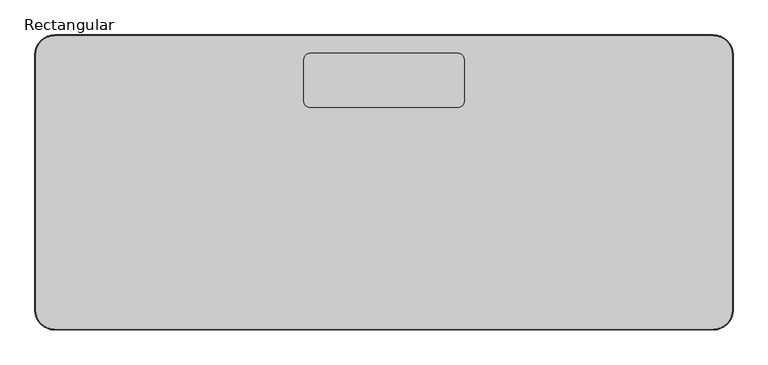
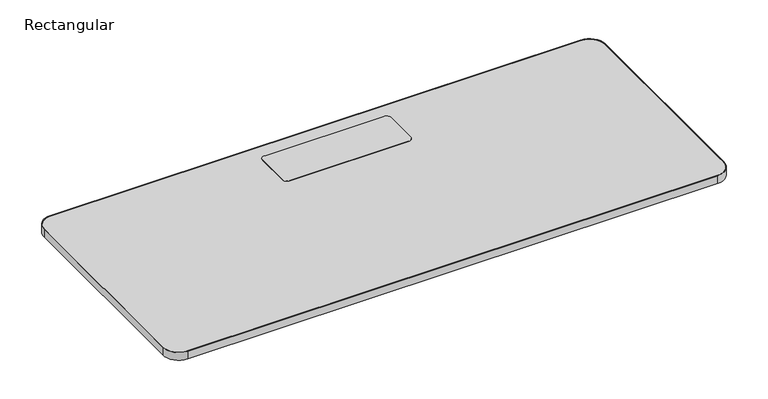
"""IFC4 building model written with IfcOpenShell, lengths in millimetres: furniture geometry, Rectangular."""

from ifc_helpers import new_model, si_unit, point, frame, frame_2d, origin, place, context, project, spatial, polyline, circle_curve, trimmed, segment, composite_curve, outline, extrude, source, transform, mapped, element, save


def rectangular_b8c27055(model_context):
    return source(origin(), model_context, "Body", "SweptSolid", [
        extrude(outline(composite_curve([segment(polyline([(62.5, -50.0), (1737.5, -50.0)]), True, "CONTINUOUS"), segment(trimmed(circle_curve(frame_2d((1737.5, -100.0)), 50.0), [point((1737.5, -50.0))], [point((1787.5, -100.0))], False, "CARTESIAN"), True, "CONTINUOUS"), segment(polyline([(1787.5, -100.0), (1787.5, -750.0)]), True, "CONTINUOUS"), segment(trimmed(circle_curve(frame_2d((1737.5, -750.0)), 50.0), [point((1787.5, -750.0))], [point((1737.5, -800.0))], False, "CARTESIAN"), True, "CONTINUOUS"), segment(polyline([(1737.5, -800.0), (62.5, -800.0)]), True, "CONTINUOUS"), segment(trimmed(circle_curve(frame_2d((62.5, -750.0)), 50.0), [point((62.5, -800.0))], [point((12.5, -750.0))], False, "CARTESIAN"), True, "CONTINUOUS"), segment(polyline([(12.5, -750.0), (12.5, -100.0)]), True, "CONTINUOUS"), segment(trimmed(circle_curve(frame_2d((62.5, -100.0)), 50.0), [point((12.5, -100.0))], [point((62.5, -50.0))], False, "CARTESIAN"), True, "CONTINUOUS")], self_intersect=False), holes=[composite_curve([segment(trimmed(circle_curve(frame_2d((62.5, -100.0)), 48.0), [point((62.5, -52.0))], [point((14.5, -100.0))], True, "CARTESIAN"), True, "CONTINUOUS"), segment(polyline([(14.5, -100.0), (14.5, -750.0)]), True, "CONTINUOUS"), segment(trimmed(circle_curve(frame_2d((62.5, -750.0)), 48.0), [point((14.5, -750.0))], [point((62.5, -798.0))], True, "CARTESIAN"), True, "CONTINUOUS"), segment(polyline([(62.5, -798.0), (1737.5, -798.0)]), True, "CONTINUOUS"), segment(trimmed(circle_curve(frame_2d((1737.5, -750.0)), 48.0), [point((1737.5, -798.0))], [point((1785.5, -750.0))], True, "CARTESIAN"), True, "CONTINUOUS"), segment(polyline([(1785.5, -750.0), (1785.5, -100.0)]), True, "CONTINUOUS"), segment(trimmed(circle_curve(frame_2d((1737.5, -100.0)), 48.0), [point((1785.5, -100.0))], [point((1737.5, -52.0))], True, "CARTESIAN"), True, "CONTINUOUS"), segment(polyline([(1737.5, -52.0), (62.5, -52.0)]), True, "CONTINUOUS")], self_intersect=False)]), frame((0.0, 0.0, 975.0), z_axis=(0.0, 0.0, 1.0), x_axis=(1.0, 0.0, 0.0)), (0.0, 0.0, 1.0), 25.5),
        extrude(outline(composite_curve([segment(trimmed(circle_curve(frame_2d((1088.5, -112.0)), 15.0), [point((1088.5, -97.0))], [point((1103.5, -112.0))], False, "CARTESIAN"), True, "CONTINUOUS"), segment(polyline([(1103.5, -112.0), (1103.5, -219.0)]), True, "CONTINUOUS"), segment(trimmed(circle_curve(frame_2d((1088.5, -219.0)), 15.0), [point((1103.5, -219.0))], [point((1088.5, -234.0))], False, "CARTESIAN"), True, "CONTINUOUS"), segment(polyline([(1088.5, -234.0), (711.5, -234.0)]), True, "CONTINUOUS"), segment(trimmed(circle_curve(frame_2d((711.5, -219.0)), 15.0), [point((711.5, -234.0))], [point((696.5, -219.0))], False, "CARTESIAN"), True, "CONTINUOUS"), segment(polyline([(696.5, -219.0), (696.5, -112.0)]), True, "CONTINUOUS"), segment(trimmed(circle_curve(frame_2d((711.5, -112.0)), 15.0), [point((696.5, -112.0))], [point((711.5, -97.0))], False, "CARTESIAN"), True, "CONTINUOUS"), segment(polyline([(711.5, -97.0), (1088.5, -97.0)]), True, "CONTINUOUS")], self_intersect=False)), frame((0.0, 0.0, 1000.0), z_axis=(0.0, 0.0, 1.0), x_axis=(1.0, 0.0, 0.0)), (0.0, 0.0, 1.0), 0.5),
        extrude(outline(composite_curve([segment(polyline([(62.5, -52.0), (1737.5, -52.0)]), True, "CONTINUOUS"), segment(trimmed(circle_curve(frame_2d((1737.5, -100.0)), 48.0), [point((1737.5, -52.0))], [point((1785.5, -100.0))], False, "CARTESIAN"), True, "CONTINUOUS"), segment(polyline([(1785.5, -100.0), (1785.5, -750.0)]), True, "CONTINUOUS"), segment(trimmed(circle_curve(frame_2d((1737.5, -750.0)), 48.0), [point((1785.5, -750.0))], [point((1737.5, -798.0))], False, "CARTESIAN"), True, "CONTINUOUS"), segment(polyline([(1737.5, -798.0), (62.5, -798.0)]), True, "CONTINUOUS"), segment(trimmed(circle_curve(frame_2d((62.5, -750.0)), 48.0), [point((62.5, -798.0))], [point((14.5, -750.0))], False, "CARTESIAN"), True, "CONTINUOUS"), segment(polyline([(14.5, -750.0), (14.5, -100.0)]), True, "CONTINUOUS"), segment(trimmed(circle_curve(frame_2d((62.5, -100.0)), 48.0), [point((14.5, -100.0))], [point((62.5, -52.0))], False, "CARTESIAN"), True, "CONTINUOUS")], self_intersect=False)), frame((0.0, 0.0, 975.0), z_axis=(0.0, 0.0, 1.0), x_axis=(1.0, 0.0, 0.0)), (0.0, 0.0, 1.0), 25.0),
    ])


if __name__ == "__main__":
    model = new_model("IFC4")
    model_context = context("Model", 3, world=origin())
    ifc_project = project(units=[si_unit("LENGTHUNIT", "METRE", prefix="MILLI")], contexts=[model_context])
    site = spatial("IfcSite", under=ifc_project)
    building = spatial("IfcBuilding", under=site)
    placement = place(None, origin())
    rectangular_shape = rectangular_b8c27055(model_context)
    element("IfcFurniture", 1, ObjectType="Rectangular", at=placement, inside=building, context=model_context, shape_type="MappedRepresentation", body=[
        mapped(rectangular_shape, transform((0.0, 0.0, 0.0), x_axis=(1.0, 0.0, 0.0), y_axis=(0.0, 1.0, 0.0), z_axis=(0.0, 0.0, 1.0))),
    ])
    save(model, "model.ifc")
